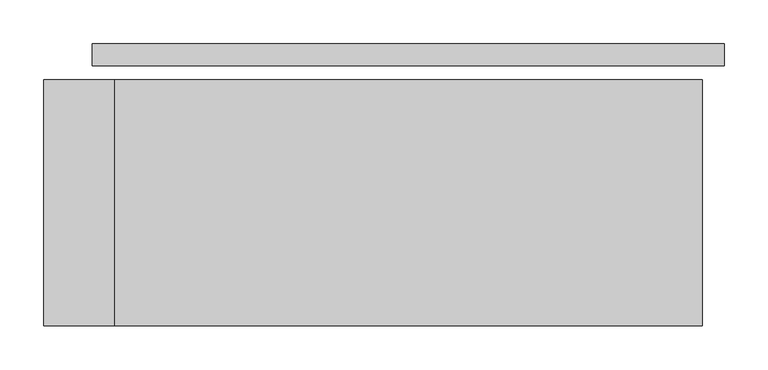
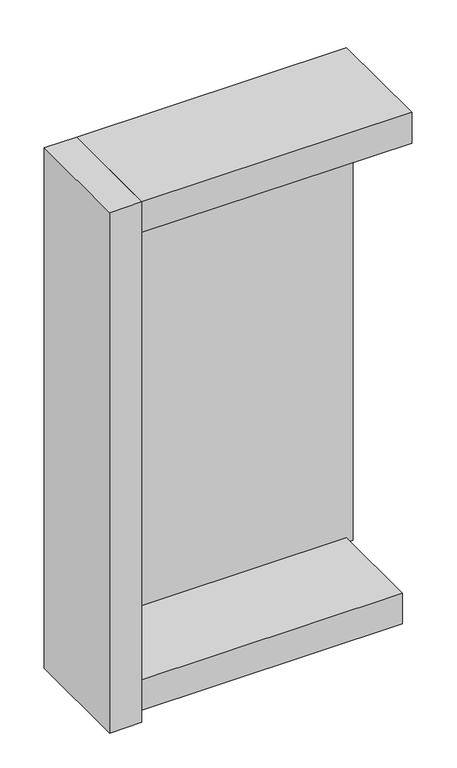
"""IFC4 building model written with IfcOpenShell, lengths in millimetres: plate geometry."""

from ifc_helpers import new_model, si_unit, frame, origin, origin_with_axes, place, context, project, spatial, polyline, outline, extrude, source, transform, mapped, element, save


def plate_d3725140(model_context):
    return source(origin(), model_context, "Body", "SweptSolid", [
        extrude(outline(polyline([(360.0, 0.0), (360.0, -25.0), (-360.0, -25.0), (-360.0, 0.0), (360.0, 0.0)])), origin_with_axes(), (0.0, 0.0, 1.0), 1254.465707),
        extrude(outline(polyline([(-335.0, -41.0), (-335.0, -321.0), (-415.0, -321.0), (-415.0, -41.0), (-335.0, -41.0)])), frame((0.0, 0.0, -55.0), z_axis=(0.0, 0.0, 1.0), x_axis=(1.0, 0.0, 0.0)), (0.0, 0.0, 1.0), 1364.465707),
        extrude(outline(polyline([(335.0, -281.0), (-335.0, -281.0), (-335.0, -41.0), (335.0, -41.0), (335.0, -281.0)])), frame((0.0, 0.0, -55.0), z_axis=(0.0, 0.0, 1.0), x_axis=(1.0, 0.0, 0.0)), (0.0, 0.0, 1.0), 80.0),
        extrude(outline(polyline([(335.0, -41.0), (335.0, -321.0), (-335.0, -321.0), (-335.0, -41.0), (335.0, -41.0)])), frame((0.0, 0.0, 1229.465707), z_axis=(0.0, 0.0, 1.0), x_axis=(1.0, 0.0, 0.0)), (0.0, 0.0, 1.0), 80.0),
    ])


if __name__ == "__main__":
    model = new_model("IFC4")
    model_context = context("Model", 3, world=origin())
    ifc_project = project(units=[si_unit("LENGTHUNIT", "METRE", prefix="MILLI")], contexts=[model_context])
    site = spatial("IfcSite", under=ifc_project)
    building = spatial("IfcBuilding", under=site)
    placement = place(None, origin())
    plate_shape = plate_d3725140(model_context)
    element("IfcPlate", 1, at=placement, inside=building, context=model_context, shape_type="MappedRepresentation", body=[
        mapped(plate_shape, transform((0.0, 0.0, 0.0), x_axis=(1.0, 0.0, 0.0), y_axis=(0.0, 1.0, 0.0), z_axis=(0.0, 0.0, 1.0))),
    ])
    save(model, "model.ifc")
